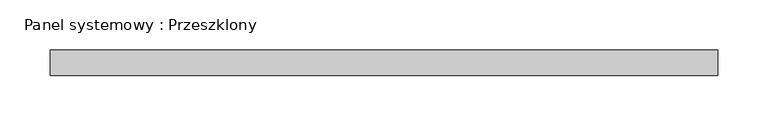
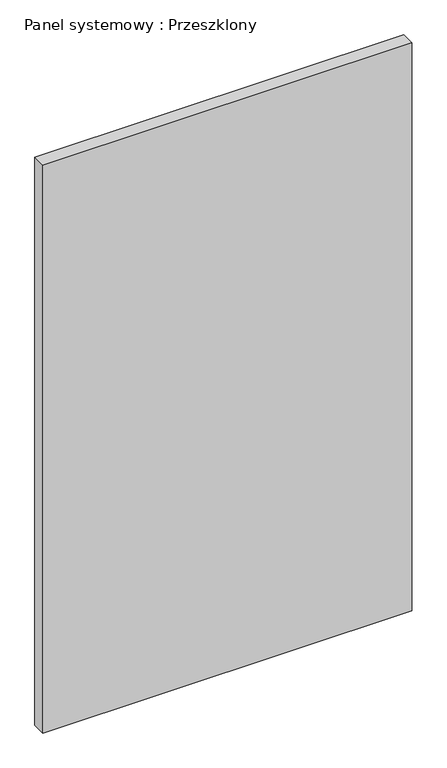
"""IFC4 building model written with IfcOpenShell, lengths in millimetres: plate geometry, Panel systemowy : Przeszklony."""

import ifcopenshell
import ifcopenshell.guid

model = None  # the IFC model being written
_history = None  # IfcOwnerHistory: only IFC2X3 demands one
_inside = {}  # id of a spatial element -> (the spatial element, [elements in it])
_under = {}  # id of a project, library or spatial element -> (it, [spatial elements below it])
_declared = {}  # id of a project -> (the project, [libraries it declares])
_typed = {}  # id of a type object -> (the type object, [elements of that type])
_made_of = {}  # id of a material, layer set ... -> (it, [elements and type objects made of it])


def new_model(schema):
    """Start an empty IFC model of exactly this schema.

    Asked for "IFC4X3", IfcOpenShell would pick the latest addendum, in which some entities
    have other attributes; the version numbers below select the first issue.
    IFC2X3 requires an IfcOwnerHistory on every rooted entity: one is made here for all.
    """
    global model, _history
    if schema == "IFC4X3":
        model = ifcopenshell.file(schema_version=(4, 3, 0, 0))
    else:
        model = ifcopenshell.file(schema=schema)
    _inside.clear()
    _under.clear()
    _declared.clear()
    _typed.clear()
    _made_of.clear()
    _history = None
    if model.schema == "IFC2X3":
        org = make("IfcOrganization", Name="unknown")
        user = make(
            "IfcPersonAndOrganization",
            ThePerson=make("IfcPerson", FamilyName="unknown"),
            TheOrganization=org,
        )
        app = make(
            "IfcApplication",
            ApplicationDeveloper=org,
            Version="unknown",
            ApplicationFullName="unknown",
            ApplicationIdentifier="unknown",
        )
        _history = make(
            "IfcOwnerHistory",
            OwningUser=user,
            OwningApplication=app,
            ChangeAction="ADDED",
            CreationDate=0,
        )
    return model


def make(cls, **values):
    """One entity of the class cls with the attributes given. An attribute that is None is left unset."""
    return model.create_entity(
        cls, **{name: value for name, value in values.items() if value is not None}
    )


def rooted(cls, **values):
    """An entity with a GlobalId (a new one), such as an element, a storey or a relation."""
    return make(cls, GlobalId=ifcopenshell.guid.new(), OwnerHistory=_history, **values)


def si_unit(unit_type, name, prefix=None):
    """IfcSIUnit, for example si_unit("LENGTHUNIT", "METRE", prefix="MILLI")."""
    return make("IfcSIUnit", UnitType=unit_type, Prefix=prefix, Name=name)


def assignment(units):
    """IfcUnitAssignment: the units of a project."""
    return None if units is None else make("IfcUnitAssignment", Units=units)


def point(xyz):
    """IfcCartesianPoint."""
    return None if xyz is None else make("IfcCartesianPoint", Coordinates=xyz)


def direction(xyz):
    """IfcDirection."""
    return None if xyz is None else make("IfcDirection", DirectionRatios=xyz)


def frame(location, z_axis=None, x_axis=None):
    """IfcAxis2Placement3D, a coordinate frame: its origin and axes. An axis left out is left unset."""
    return make(
        "IfcAxis2Placement3D",
        Location=point(location),
        Axis=direction(z_axis),
        RefDirection=direction(x_axis),
    )


def origin():
    """The frame at (0, 0, 0) with its axes left unset."""
    return frame((0.0, 0.0, 0.0))


def origin_with_axes():
    """The frame at (0, 0, 0) with the z axis (0, 0, 1) and the x axis (1, 0, 0) written out."""
    return frame((0.0, 0.0, 0.0), z_axis=(0.0, 0.0, 1.0), x_axis=(1.0, 0.0, 0.0))


def place(relative_to, where):
    """IfcLocalPlacement: puts the frame where relative to a parent placement (None: the world)."""
    return make(
        "IfcLocalPlacement", PlacementRelTo=relative_to, RelativePlacement=where
    )


def context(
    kind, dimensions, precision=None, world=None, true_north=None, identifier=None
):
    """IfcGeometricRepresentationContext, for example the 3D "Model" context."""
    return make(
        "IfcGeometricRepresentationContext",
        ContextIdentifier=identifier,
        ContextType=kind,
        CoordinateSpaceDimension=dimensions,
        Precision=precision,
        WorldCoordinateSystem=world,
        TrueNorth=true_north,
    )


def project(units=None, contexts=None):
    """IfcProject with its units and contexts."""
    return rooted(
        "IfcProject",
        Name="project",
        RepresentationContexts=contexts,
        UnitsInContext=assignment(units),
    )


def spatial(cls, under=None, at=None, **own):
    """A site, building, storey or space (cls), placed at a placement, below another one or the project."""
    s = rooted(cls, ObjectPlacement=at, **own)
    if under is not None:
        _under.setdefault(under.id(), (under, []))[1].append(s)
    return s


def polyline(points):
    """IfcPolyline through the points."""
    return make("IfcPolyline", Points=[point(p) for p in points])


def outline(outer, holes=None, kind="AREA"):
    """IfcArbitraryClosedProfileDef: a profile drawn as a closed curve; with holes, ...WithVoids."""
    if holes is None:
        return make("IfcArbitraryClosedProfileDef", ProfileType=kind, OuterCurve=outer)
    return make(
        "IfcArbitraryProfileDefWithVoids",
        ProfileType=kind,
        OuterCurve=outer,
        InnerCurves=holes,
    )


def extrude(swept, where, along, depth):
    """IfcExtrudedAreaSolid: the profile swept, set in the frame where, extruded along a direction by depth."""
    return make(
        "IfcExtrudedAreaSolid",
        SweptArea=swept,
        Position=where,
        ExtrudedDirection=direction(along),
        Depth=depth,
    )


def shape(context_of_items, identifier, shape_type, items):
    """IfcShapeRepresentation: the items that make up one representation, for example the "Body"."""
    return make(
        "IfcShapeRepresentation",
        ContextOfItems=context_of_items,
        RepresentationIdentifier=identifier,
        RepresentationType=shape_type,
        Items=items,
    )


def source(mapping_origin, context_of_items, identifier, shape_type, items):
    """IfcRepresentationMap: a shape defined once, which mapped items show again and again."""
    return make(
        "IfcRepresentationMap",
        MappingOrigin=mapping_origin,
        MappedRepresentation=shape(context_of_items, identifier, shape_type, items),
    )


def transform(
    local_origin,
    x_axis=None,
    y_axis=None,
    z_axis=None,
    scale=None,
    scale2=None,
    scale3=None,
    uniform=True,
):
    """IfcCartesianTransformationOperator3D, or its non-uniform kind. x_axis, y_axis, z_axis: its Axis1, 2, 3."""
    if uniform:
        return make(
            "IfcCartesianTransformationOperator3D",
            Axis1=direction(x_axis),
            Axis2=direction(y_axis),
            LocalOrigin=point(local_origin),
            Scale=scale,
            Axis3=direction(z_axis),
        )
    return make(
        "IfcCartesianTransformationOperator3DnonUniform",
        Axis1=direction(x_axis),
        Axis2=direction(y_axis),
        LocalOrigin=point(local_origin),
        Scale=scale,
        Axis3=direction(z_axis),
        Scale2=scale2,
        Scale3=scale3,
    )


def mapped(mapping_source, mapping_target):
    """IfcMappedItem: shows the shape of a source again, moved by a transform."""
    return make(
        "IfcMappedItem", MappingSource=mapping_source, MappingTarget=mapping_target
    )


def made_of(thing, what):
    """Note that an element or type object is made of a material, layer set ...; save() writes the relation."""
    if what is not None:
        _made_of.setdefault(what.id(), (what, []))[1].append(thing)
    return thing


def element(
    cls,
    number,
    at=None,
    inside=None,
    cuts=None,
    type_object=None,
    material=None,
    context=None,
    identifier="Body",
    shape_type=None,
    held_by="IfcProductDefinitionShape",
    body=None,
    shapes=None,
    **own,
):
    """One element of the class cls, such as IfcWall. Its Tag is "e" and its number.

    at: its placement. inside: the storey or other place that contains it. cuts: it is an
    opening in that element (IfcRelVoidsElement). A single representation is given by context,
    identifier, shape_type and body (its items); several are given by shapes. held_by: the class
    of the entity that holds the representations. save() writes the other relations.
    """
    e = rooted(cls, Tag="e%d" % number, ObjectPlacement=at, **own)
    if body is not None:
        shapes = [shape(context, identifier, shape_type, body)]
    if shapes is not None:
        e.Representation = make(held_by, Representations=shapes)
    if inside is not None:
        _inside.setdefault(inside.id(), (inside, []))[1].append(e)
    if cuts is not None:
        rooted(
            "IfcRelVoidsElement", RelatingBuildingElement=cuts, RelatedOpeningElement=e
        )
    if type_object is not None:
        _typed.setdefault(type_object.id(), (type_object, []))[1].append(e)
    return made_of(e, material)


def aggregate(whole, parts):
    """IfcRelAggregates: a whole, such as a stair, and the parts it consists of."""
    return rooted("IfcRelAggregates", RelatingObject=whole, RelatedObjects=parts)


def save(model, path):
    """Write the relations noted so far, then the file.

    IfcRelAggregates (storeys below a building ...), IfcRelContainedInSpatialStructure (elements
    in a storey), IfcRelDefinesByType, IfcRelAssociatesMaterial and IfcRelDeclares: one each for
    every whole, place, type object, material and project.
    """
    for whole, parts in _under.values():
        aggregate(whole, parts)
    for where, things in _inside.values():
        rooted(
            "IfcRelContainedInSpatialStructure",
            RelatedElements=things,
            RelatingStructure=where,
        )
    for kind, things in _typed.values():
        rooted("IfcRelDefinesByType", RelatedObjects=things, RelatingType=kind)
    for what, things in _made_of.values():
        rooted("IfcRelAssociatesMaterial", RelatedObjects=things, RelatingMaterial=what)
    for by, libraries in _declared.values():
        rooted("IfcRelDeclares", RelatingContext=by, RelatedDefinitions=libraries)
    model.write(path)


def panel_systemowy_przeszklony_9c5584f4(model_context):
    return source(origin(), model_context, "Body", "SweptSolid", [
        extrude(outline(polyline([(330.25, 24.5), (-330.25, 24.5), (-330.25, 49.5), (330.25, 49.5), (330.25, 24.5)])), origin_with_axes(), (0.0, 0.0, 1.0), 1075.0),
    ])


if __name__ == "__main__":
    model = new_model("IFC4")
    model_context = context("Model", 3, world=origin())
    ifc_project = project(units=[si_unit("LENGTHUNIT", "METRE", prefix="MILLI")], contexts=[model_context])
    site = spatial("IfcSite", under=ifc_project)
    building = spatial("IfcBuilding", under=site)
    placement = place(None, origin())
    panel_systemowy_przeszklony_shape = panel_systemowy_przeszklony_9c5584f4(model_context)
    element("IfcPlate", 1, ObjectType="Panel systemowy : Przeszklony", at=placement, inside=building, context=model_context, shape_type="MappedRepresentation", body=[
        mapped(panel_systemowy_przeszklony_shape, transform((0.0, 0.0, 0.0), x_axis=(1.0, 0.0, 0.0), y_axis=(0.0, 1.0, 0.0), z_axis=(0.0, 0.0, 1.0))),
    ])
    save(model, "model.ifc")
